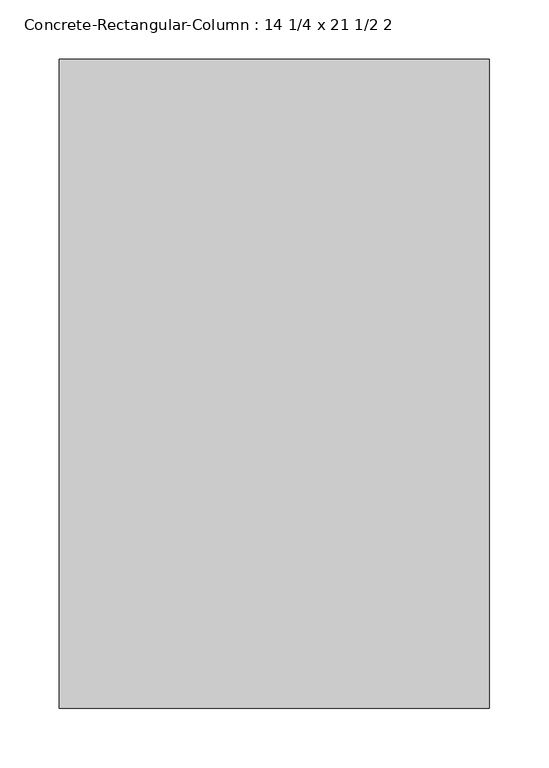
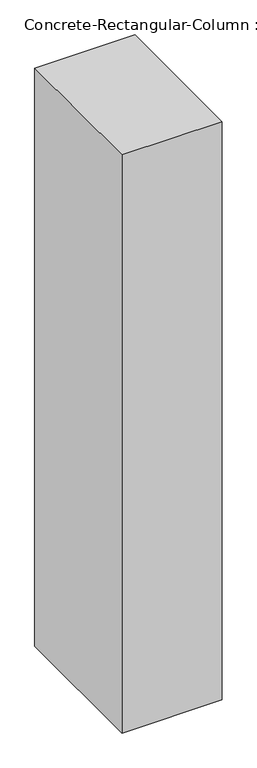
"""IFC4 building model written with IfcOpenShell, lengths in millimetres: column geometry, Concrete-Rectangular-Column : 14 1/4 x 21 1/2 2."""

from ifc_helpers import new_model, si_unit, frame, origin, place, context, project, spatial, polyline, outline, extrude, source, transform, mapped, element, save


def concrete_rectangular_column_14_1_4_x_21_1_2_2_030548be(model_context):
    return source(origin(), model_context, "Body", "SweptSolid", [
        extrude(outline(polyline([(180.975, 273.05), (180.975, -273.05), (-180.975, -273.05), (-180.975, 273.05), (180.975, 273.05)])), frame((0.0, 0.0, 3810.0), z_axis=(0.0, 0.0, 1.0), x_axis=(1.0, 0.0, 0.0)), (0.0, 0.0, 1.0), 2209.8),
    ])


if __name__ == "__main__":
    model = new_model("IFC4")
    model_context = context("Model", 3, world=origin())
    ifc_project = project(units=[si_unit("LENGTHUNIT", "METRE", prefix="MILLI")], contexts=[model_context])
    site = spatial("IfcSite", under=ifc_project)
    building = spatial("IfcBuilding", under=site)
    placement = place(None, origin())
    concrete_rectangular_column_14_1_4_x_21_1_2_2_shape = concrete_rectangular_column_14_1_4_x_21_1_2_2_030548be(model_context)
    element("IfcColumn", 1, ObjectType="Concrete-Rectangular-Column : 14 1/4 x 21 1/2 2", at=placement, inside=building, context=model_context, shape_type="MappedRepresentation", body=[
        mapped(concrete_rectangular_column_14_1_4_x_21_1_2_2_shape, transform((0.0, 0.0, 0.0), x_axis=(1.0, 0.0, 0.0), y_axis=(0.0, 1.0, 0.0), z_axis=(0.0, 0.0, 1.0))),
    ])
    save(model, "model.ifc")
